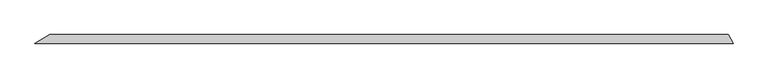
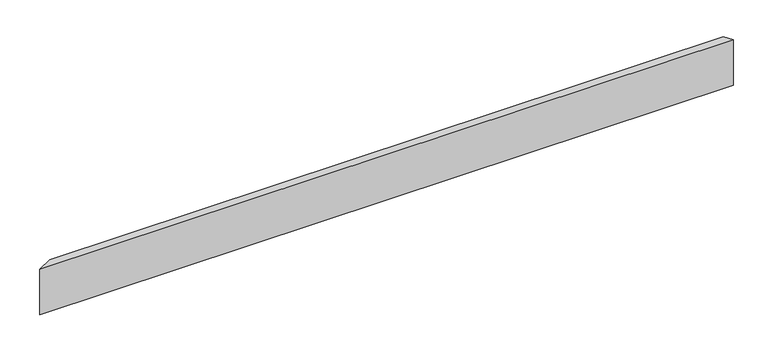
"""IFC4 building model written with IfcOpenShell, lengths in millimetres: beam geometry."""

from ifc_helpers import new_model, si_unit, frame, origin, place, context, project, spatial, polyline, outline, extrude, source, transform, mapped, element, save


def beam_92bd15bf(model_context):
    return source(origin(), model_context, "Body", "SweptSolid", [
        extrude(outline(polyline([(1450.3953836, -18.0), (-1450.3953836, -18.0), (-1388.0415545, 18.0), (1429.6107739, 18.0), (1450.3953836, -18.0)])), frame((0.0, 0.0, -100.0), z_axis=(0.0, 0.0, 1.0), x_axis=(1.0, 0.0, 0.0)), (0.0, 0.0, 1.0), 200.0),
    ])


if __name__ == "__main__":
    model = new_model("IFC4")
    model_context = context("Model", 3, world=origin())
    ifc_project = project(units=[si_unit("LENGTHUNIT", "METRE", prefix="MILLI")], contexts=[model_context])
    site = spatial("IfcSite", under=ifc_project)
    building = spatial("IfcBuilding", under=site)
    placement = place(None, origin())
    beam_shape = beam_92bd15bf(model_context)
    element("IfcBeam", 1, at=placement, inside=building, context=model_context, shape_type="MappedRepresentation", body=[
        mapped(beam_shape, transform((0.0, 0.0, 0.0), x_axis=(1.0, 0.0, 0.0), y_axis=(0.0, 1.0, 0.0), z_axis=(0.0, 0.0, 1.0))),
    ])
    save(model, "model.ifc")
